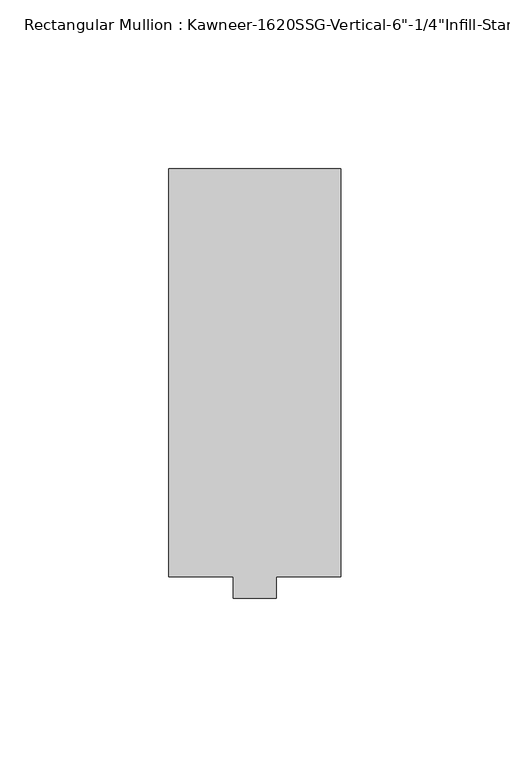
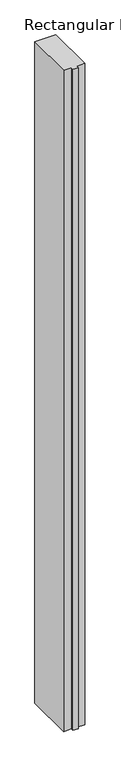
"""IFC4 building model written with IfcOpenShell, lengths in millimetres: member geometry."""

from ifc_helpers import new_model, si_unit, frame, origin, place, context, project, spatial, polyline, outline, extrude, source, transform, mapped, element, save


def member_36b71462(model_context):
    return source(origin(), model_context, "Body", "SweptSolid", [
        extrude(outline(polyline([(25.4, 123.825), (25.4, 3.175), (6.35, 3.175), (6.35, -3.175), (-6.35, -3.175), (-6.35, 3.175), (-25.4, 3.175), (-25.4, 123.825), (25.4, 123.825)])), frame((0.0, 0.0, -1695.45), z_axis=(0.0, 0.0, 1.0), x_axis=(1.0, 0.0, 0.0)), (0.0, 0.0, 1.0), 1695.45),
    ])


if __name__ == "__main__":
    model = new_model("IFC4")
    model_context = context("Model", 3, world=origin())
    ifc_project = project(units=[si_unit("LENGTHUNIT", "METRE", prefix="MILLI")], contexts=[model_context])
    site = spatial("IfcSite", under=ifc_project)
    building = spatial("IfcBuilding", under=site)
    placement = place(None, origin())
    member_shape = member_36b71462(model_context)
    element("IfcMember", 1, ObjectType="Rectangular Mullion : Kawneer-1620SSG-Vertical-6\"-1/4\"Infill-Standard", at=placement, inside=building, context=model_context, shape_type="MappedRepresentation", body=[
        mapped(member_shape, transform((0.0, 0.0, 0.0), x_axis=(1.0, 0.0, 0.0), y_axis=(0.0, 1.0, 0.0), z_axis=(0.0, 0.0, 1.0))),
    ])
    save(model, "model.ifc")
